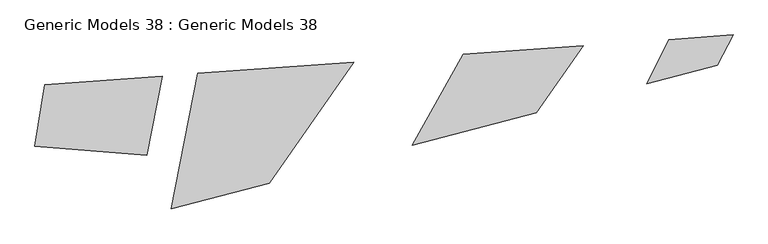
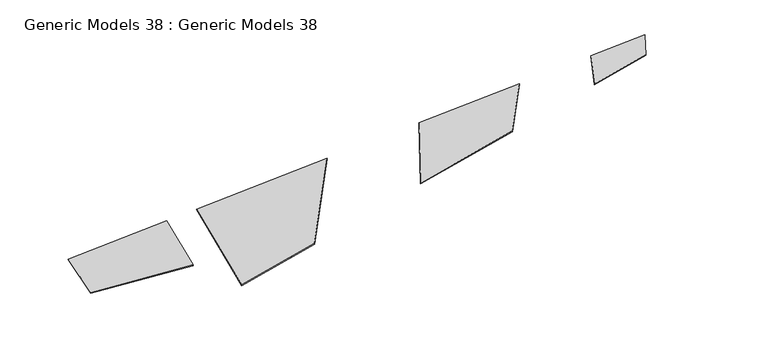
"""IFC4 building model written with IfcOpenShell, lengths in millimetres: proxy geometry, Generic Models 38 : Generic Models 38."""

from ifc_helpers import new_model, si_unit, frame, origin, place, context, project, spatial, polyline, outline, extrude, source, transform, mapped, element, save


def generic_models_38_generic_models_38_3d0c39c1(model_context):
    return source(origin(), model_context, "Body", "SweptSolid", [
        extrude(outline(polyline([(-230563.9635241, -60593.00416), (-242026.9494054, -63612.5148402), (-238942.5304643, -47815.4977965), (-220728.3664334, -46502.9526402), (-230563.9635241, -60593.00416)])), frame((0.0, 0.0, 4680.0), z_axis=(0.0, 0.0, 1.0), x_axis=(1.0, 0.0, 0.0)), (0.0, 0.0, 1.0), 100.0),
        extrude(outline(polyline([(-244874.617126, -57323.929363), (-257921.3484146, -56276.2927224), (-256797.7916505, -49102.1797734), (-243076.2272912, -48113.3793648), (-244874.617126, -57323.929363)])), frame((0.0, 0.0, 4680.0), z_axis=(0.0, 0.0, 1.0), x_axis=(1.0, 0.0, 0.0)), (0.0, 0.0, 1.0), 100.0),
        extrude(outline(polyline([(-183970.2768812, -43854.0991263), (-176480.1811585, -43314.3494653), (-178354.1895049, -46840.2200341), (-186530.7782423, -48994.0477782), (-183970.2768812, -43854.0991263)])), frame((0.0, 0.0, 4680.0), z_axis=(0.0, 0.0, 1.0), x_axis=(1.0, 0.0, 0.0)), (0.0, 0.0, 1.0), 100.0),
        extrude(outline(polyline([(-199426.4098471, -52390.9373637), (-213905.8565788, -56205.0259879), (-207970.2768812, -45583.5819451), (-193970.2768812, -44574.7169675), (-199426.4098471, -52390.9373637)])), frame((0.0, 0.0, 4680.0), z_axis=(0.0, 0.0, 1.0), x_axis=(1.0, 0.0, 0.0)), (0.0, 0.0, 1.0), 100.0),
    ])


if __name__ == "__main__":
    model = new_model("IFC4")
    model_context = context("Model", 3, world=origin())
    ifc_project = project(units=[si_unit("LENGTHUNIT", "METRE", prefix="MILLI")], contexts=[model_context])
    site = spatial("IfcSite", under=ifc_project)
    building = spatial("IfcBuilding", under=site)
    placement = place(None, origin())
    generic_models_38_generic_models_38_shape = generic_models_38_generic_models_38_3d0c39c1(model_context)
    element("IfcBuildingElementProxy", 1, Name="Generic Models 38 : Generic Models 38", ObjectType="Generic Models 38 : Generic Models 38", at=placement, inside=building, context=model_context, shape_type="MappedRepresentation", body=[
        mapped(generic_models_38_generic_models_38_shape, transform((0.0, 0.0, 0.0), x_axis=(1.0, 0.0, 0.0), y_axis=(0.0, 1.0, 0.0), z_axis=(0.0, 0.0, 1.0))),
    ])
    save(model, "model.ifc")
